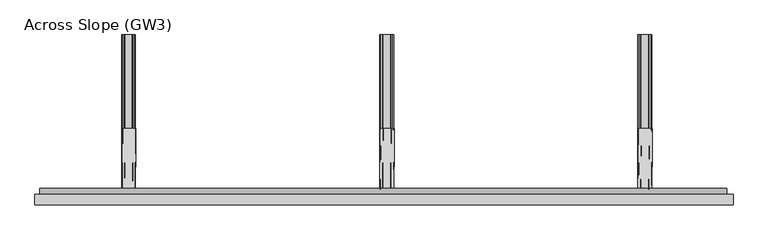
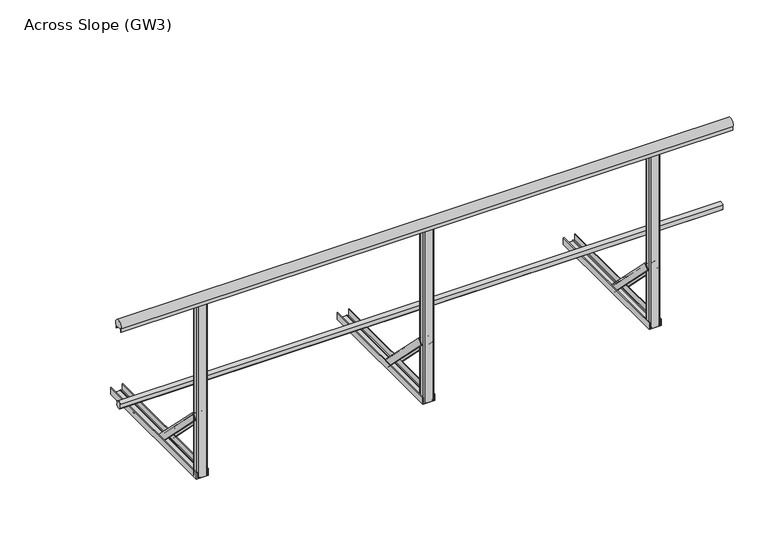
"""IFC4 building model written with IfcOpenShell, lengths in millimetres: railing geometry, Across Slope (GW3)."""

from ifc_helpers import new_model, si_unit, point, frame, frame_2d, origin, origin_with_axes, place, context, project, spatial, polyline, circle_curve, trimmed, segment, composite_curve, outline, extrude, source, transform, mapped, element, save
from ifc_brep_helpers import plane_surface, extruded_surface, advanced_brep


def across_slope_gw3_2aa02428(model_context):
    return source(origin(), model_context, "Body", "SolidModel", [
        extrude(outline(composite_curve([segment(trimmed(circle_curve(frame_2d((-746.287505, 528.0)), 20.0), [point((-727.7, 520.617273))], [point((-762.0, 515.6259343))], False, "CARTESIAN"), True, "CONTINUOUS"), segment(polyline([(-762.0, 515.6259343), (-762.0, 540.3740657)]), True, "CONTINUOUS"), segment(trimmed(circle_curve(frame_2d((-746.287505, 528.0)), 20.0), [point((-762.0, 540.3740657))], [point((-727.7, 535.382727))], False, "CARTESIAN"), True, "CONTINUOUS"), segment(polyline([(-727.7, 535.382727), (-731.7, 535.382727), (-731.7, 520.617273), (-727.7, 520.617273)]), True, "CONTINUOUS")], self_intersect=False)), frame((-393.0, 0.0, 0.0), z_axis=(1.0, 0.0, 0.0), x_axis=(0.0, 1.0, 0.0)), (0.0, 0.0, 1.0), 3253.0),
        extrude(outline(composite_curve([segment(trimmed(circle_curve(frame_2d((-781.0, 1015.0)), 25.0), [point((-802.0, 1001.43534))], [point((-760.0, 1001.43534))], False, "CARTESIAN"), True, "CONTINUOUS"), segment(polyline([(-760.0, 1001.43534), (-760.0, 983.0), (-761.0, 983.0), (-761.0, 998.0), (-801.0, 998.0), (-801.0, 983.0), (-802.0, 983.0), (-802.0, 1001.43534)]), True, "CONTINUOUS")], self_intersect=False)), frame((-415.0, 0.0, 0.0), z_axis=(1.0, 0.0, 0.0), x_axis=(0.0, 1.0, 0.0)), (0.0, 0.0, 1.0), 3305.0),
        extrude(outline(composite_curve([segment(trimmed(circle_curve(frame_2d((1227.0, -795.0)), 5.0), [point((1227.0, -800.0))], [point((1222.0, -795.0))], False, "CARTESIAN"), True, "CONTINUOUS"), segment(polyline([(1222.0, -795.0), (1222.0, -767.0)]), True, "CONTINUOUS"), segment(trimmed(circle_curve(frame_2d((1227.0, -767.0)), 5.0), [point((1222.0, -767.0))], [point((1227.0, -762.0))], False, "CARTESIAN"), True, "CONTINUOUS"), segment(polyline([(1227.0, -762.0), (1273.0, -762.0)]), True, "CONTINUOUS"), segment(trimmed(circle_curve(frame_2d((1273.0, -767.0)), 5.0), [point((1273.0, -762.0))], [point((1278.0, -767.0))], False, "CARTESIAN"), True, "CONTINUOUS"), segment(polyline([(1278.0, -767.0), (1278.0, -795.0)]), True, "CONTINUOUS"), segment(trimmed(circle_curve(frame_2d((1273.0, -795.0)), 5.0), [point((1278.0, -795.0))], [point((1273.0, -800.0))], False, "CARTESIAN"), True, "CONTINUOUS"), segment(polyline([(1273.0, -800.0), (1227.0, -800.0)]), True, "CONTINUOUS")], self_intersect=False)), origin_with_axes(), (0.0, 0.0, 1.0), 998.0),
        advanced_brep(
        [(1285.5, -443.7912606, 38.0), (1285.5, -469.6006581, 12.1906025), (1282.5, -469.6006581, 12.1906025), (1282.5, -445.9125809, 35.8786797), (1272.5, -445.9125809, 35.8786797), (1272.5, -447.6803479, 34.1109127), (1271.5, -447.6803479, 34.1109127), (1271.5, -445.9125809, 35.8786797), (1234.5, -445.9125809, 35.8786797), (1234.5, -447.6803479, 34.1109127), (1233.5, -447.6803479, 34.1109127), (1233.5, -445.9125809, 35.8786797), (1223.5, -445.9125809, 35.8786797), (1223.5, -469.6006581, 12.1906025), (1220.5, -469.6006581, 12.1906025), (1220.5, -443.7912606, 38.0), (1282.5, -761.9893121, 356.1980516), (1217.5, -761.9893121, 356.1980516), (1217.5, -787.7987096, 330.3886541), (1220.5, -787.7987096, 330.3886541), (1220.5, -764.1106324, 354.0767312), (1230.5, -764.1106324, 354.0767312), (1230.5, -765.8783994, 352.3089643), (1231.5, -765.8783994, 352.3089643), (1231.5, -764.1106324, 354.0767312), (1268.5, -764.1106324, 354.0767312), (1268.5, -765.8783994, 352.3089643), (1269.5, -765.8783994, 352.3089643), (1269.5, -764.1106324, 354.0767312), (1279.5, -764.1106324, 354.0767312), (1279.5, -787.7987096, 330.3886541), (1282.5, -787.7987096, 330.3886541)],
        [
            (0, 1),
            (1, 2, circle_curve(frame((1284.0, -469.6006581, 12.1906025), z_axis=(0.0, 0.7071067811865529, -0.7071067811865422), x_axis=(0.0, -0.7071067811865422, -0.7071067811865529)), 1.5)),
            (2, 3),
            (3, 4),
            (4, 5),
            (5, 6, circle_curve(frame((1272.0, -447.6803479, 34.1109127), z_axis=(0.0, 0.7071067811865529, -0.7071067811865422), x_axis=(0.0, -0.7071067811865422, -0.7071067811865529)), 0.5)),
            (6, 7),
            (7, 8),
            (8, 9),
            (9, 10, circle_curve(frame((1234.0, -447.6803479, 34.1109127), z_axis=(0.0, 0.7071067811865529, -0.7071067811865422), x_axis=(0.0, -0.7071067811865422, -0.7071067811865529)), 0.5)),
            (10, 11),
            (11, 12),
            (12, 13),
            (13, 14, circle_curve(frame((1222.0, -469.6006581, 12.1906025), z_axis=(0.0, 0.7071067811865529, -0.7071067811865422), x_axis=(0.0, -0.7071067811865422, -0.7071067811865529)), 1.5)),
            (14, 15),
            (15, 0),
            (16, 17),
            (17, 18),
            (18, 19, circle_curve(frame((1219.0, -787.7987096, 330.3886541), z_axis=(0.0, -0.7071067811865529, 0.7071067811865422), x_axis=(0.0, -0.7071067811865422, -0.7071067811865529)), 1.5)),
            (19, 20),
            (20, 21),
            (21, 22),
            (22, 23, circle_curve(frame((1231.0, -765.8783994, 352.3089643), z_axis=(0.0, -0.7071067811865529, 0.7071067811865422), x_axis=(0.0, -0.7071067811865422, -0.7071067811865529)), 0.5)),
            (23, 24),
            (24, 25),
            (25, 26),
            (26, 27, circle_curve(frame((1269.0, -765.8783994, 352.3089643), z_axis=(0.0, -0.7071067811865529, 0.7071067811865422), x_axis=(0.0, -0.7071067811865422, -0.7071067811865529)), 0.5)),
            (27, 28),
            (28, 29),
            (29, 30),
            (30, 31, circle_curve(frame((1281.0, -787.7987096, 330.3886541), z_axis=(0.0, -0.7071067811865529, 0.7071067811865422), x_axis=(0.0, -0.7071067811865422, -0.7071067811865529)), 1.5)),
            (31, 16),
            (31, 1),
            (0, 16),
            (30, 2),
            (29, 3),
            (28, 4),
            (27, 5),
            (26, 6),
            (25, 7),
            (24, 8),
            (23, 9),
            (22, 10),
            (21, 11),
            (20, 12),
            (19, 13),
            (18, 14),
            (17, 15),
        ],
        [
            plane_surface(frame((1253.0, -452.0113769, 29.7798837), z_axis=(0.0, 0.7071067811865528, -0.7071067811865424), x_axis=(0.0, -0.7071067811865424, -0.7071067811865528))),
            plane_surface(frame((1250.0, -770.2094284, 347.9779352), z_axis=(0.0, -0.7071067811865528, 0.7071067811865422), x_axis=(0.0, -0.7071067811865422, -0.7071067811865528))),
            plane_surface(frame((1282.5, -774.8940109, 343.2933528), z_axis=(0.9999777785184911, -0.004713940454846682, 0.004713940454842173), x_axis=(0.0, -0.7071067811865424, -0.7071067811865528))),
            extruded_surface(trimmed(circle_curve(frame((1281.0, -787.7987096, 330.3886541), z_axis=(0.0, 0.7071067811865529, -0.7071067811865422), x_axis=(0.0, -0.7071067811865422, -0.7071067811865529)), 1.5), [point((1282.5, -787.7987096, 330.3886541))], [point((1279.5, -787.7987096, 330.3886541))], True, "CARTESIAN"), (3.0, 318.1980515000001, -318.1980516), 450.00999991159415),
            plane_surface(frame((1279.5, -775.954671, 342.2326926), z_axis=(-0.9999777785184913, 0.004713940454846682, -0.004713940454842174), x_axis=(0.0, 0.7071067811865425, 0.7071067811865528))),
            plane_surface(frame((1274.5, -764.1106324, 354.0767312), z_axis=(0.0, -0.7071067811865427, -0.7071067811865523), x_axis=(-1.0, 0.0, 0.0))),
            plane_surface(frame((1269.5, -764.9945159, 353.1928478), z_axis=(0.9999777785184911, -0.0047139404548466575, 0.0047139404548422), x_axis=(0.0, -0.7071067811865461, -0.7071067811865489))),
            extruded_surface(trimmed(circle_curve(frame((1269.0, -765.8783994, 352.3089643), z_axis=(0.0, 0.7071067811865529, -0.7071067811865422), x_axis=(0.0, -0.7071067811865422, -0.7071067811865529)), 0.5), [point((1269.5, -765.8783994, 352.3089643))], [point((1268.5, -765.8783994, 352.3089643))], True, "CARTESIAN"), (3.0, 318.1980515, -318.1980516), 450.0099999115941),
            plane_surface(frame((1268.5, -764.9945159, 353.1928478), z_axis=(-0.9999777785184911, 0.004713940454846672, -0.004713940454842214), x_axis=(0.0, 0.7071067811865461, 0.7071067811865489))),
            plane_surface(frame((1250.0, -764.1106324, 354.0767312), z_axis=(0.0, -0.7071067811865427, -0.7071067811865523), x_axis=(-1.0, 0.0, 0.0))),
            plane_surface(frame((1231.5, -764.9945159, 353.1928478), z_axis=(0.9999777785184911, -0.0047139404548466645, 0.004713940454842207), x_axis=(0.0, -0.7071067811865461, -0.7071067811865489))),
            extruded_surface(trimmed(circle_curve(frame((1231.0, -765.8783994, 352.3089643), z_axis=(0.0, 0.7071067811865529, -0.7071067811865422), x_axis=(0.0, -0.7071067811865422, -0.7071067811865529)), 0.5), [point((1231.5, -765.8783994, 352.3089643))], [point((1230.5, -765.8783994, 352.3089643))], True, "CARTESIAN"), (3.0, 318.1980515, -318.1980516), 450.0099999115941),
            plane_surface(frame((1230.5, -764.9945159, 353.1928478), z_axis=(-0.9999777785184911, 0.004713940454846691, -0.004713940454842178), x_axis=(0.0, 0.7071067811865419, 0.7071067811865531))),
            plane_surface(frame((1225.5, -764.1106324, 354.0767312), z_axis=(0.0, -0.7071067811865425, -0.7071067811865526), x_axis=(-1.0, 0.0, 0.0))),
            plane_surface(frame((1220.5, -775.954671, 342.2326926), z_axis=(0.9999777785184913, -0.00471394045484669, 0.004713940454842181), x_axis=(0.0, -0.7071067811865425, -0.7071067811865528))),
            extruded_surface(trimmed(circle_curve(frame((1219.0, -787.7987096, 330.3886541), z_axis=(0.0, 0.7071067811865529, -0.7071067811865422), x_axis=(0.0, -0.7071067811865422, -0.7071067811865529)), 1.5), [point((1220.5, -787.7987096, 330.3886541))], [point((1217.5, -787.7987096, 330.3886541))], True, "CARTESIAN"), (3.0, 318.1980515000001, -318.1980516), 450.00999991159415),
            plane_surface(frame((1217.5, -774.8940109, 343.2933528), z_axis=(-0.9999777785184911, 0.0047139404548466905, -0.004713940454842179), x_axis=(0.0, 0.7071067811865421, 0.7071067811865529))),
            plane_surface(frame((1250.0, -761.9893121, 356.1980516), z_axis=(0.0, 0.707106781186543, 0.707106781186552), x_axis=(1.0, 0.0, 0.0))),
        ],
        [
            (0, [[1, 2, 3, 4, 5, 6, 7, 8, 9, 10, 11, 12, 13, 14, 15, 16]]),
            (1, [[17, 18, 19, 20, 21, 22, 23, 24, 25, 26, 27, 28, 29, 30, 31, 32]]),
            (2, [[-32, 33, -1, 34]]),
            (3, [[-31, 35, -2, -33]]),
            (4, [[-30, 36, -3, -35]]),
            (5, [[-29, 37, -4, -36]]),
            (6, [[-28, 38, -5, -37]]),
            (7, [[-27, 39, -6, -38]]),
            (8, [[-26, 40, -7, -39]]),
            (9, [[-25, 41, -8, -40]]),
            (10, [[-24, 42, -9, -41]]),
            (11, [[-23, 43, -10, -42]]),
            (12, [[-22, 44, -11, -43]]),
            (13, [[-21, 45, -12, -44]]),
            (14, [[-20, 46, -13, -45]]),
            (15, [[-19, 47, -14, -46]]),
            (16, [[-18, 48, -15, -47]]),
            (17, [[-17, -34, -16, -48]]),
        ],
    ),
        extrude(outline(composite_curve([segment(polyline([(0.0, 1282.5), (36.5, 1282.5)]), True, "CONTINUOUS"), segment(trimmed(circle_curve(frame_2d((36.5, 1281.0)), 1.5), [point((36.5, 1282.5))], [point((36.5, 1279.5))], False, "CARTESIAN"), True, "CONTINUOUS"), segment(polyline([(36.5, 1279.5), (3.0, 1279.5), (3.0, 1269.5), (5.5, 1269.5)]), True, "CONTINUOUS"), segment(trimmed(circle_curve(frame_2d((5.5, 1269.0)), 0.5), [point((5.5, 1269.5))], [point((5.5, 1268.5))], False, "CARTESIAN"), True, "CONTINUOUS"), segment(polyline([(5.5, 1268.5), (3.0, 1268.5), (3.0, 1231.5), (5.5, 1231.5)]), True, "CONTINUOUS"), segment(trimmed(circle_curve(frame_2d((5.5, 1231.0)), 0.5), [point((5.5, 1231.5))], [point((5.5, 1230.5))], False, "CARTESIAN"), True, "CONTINUOUS"), segment(polyline([(5.5, 1230.5), (3.0, 1230.5), (3.0, 1220.5), (36.5, 1220.5)]), True, "CONTINUOUS"), segment(trimmed(circle_curve(frame_2d((36.5, 1219.0)), 1.5), [point((36.5, 1220.5))], [point((36.5, 1217.5))], False, "CARTESIAN"), True, "CONTINUOUS"), segment(polyline([(36.5, 1217.5), (0.0, 1217.5), (0.0, 1282.5)]), True, "CONTINUOUS")], self_intersect=False)), frame((0.0, -800.0, 0.0), z_axis=(0.0, 1.0, 0.0), x_axis=(0.0, 0.0, 1.0)), (0.0, 0.0, 1.0), 800.0),
        extrude(outline(composite_curve([segment(trimmed(circle_curve(frame_2d((2449.0, -795.0)), 5.0), [point((2449.0, -800.0))], [point((2444.0, -795.0))], False, "CARTESIAN"), True, "CONTINUOUS"), segment(polyline([(2444.0, -795.0), (2444.0, -767.0)]), True, "CONTINUOUS"), segment(trimmed(circle_curve(frame_2d((2449.0, -767.0)), 5.0), [point((2444.0, -767.0))], [point((2449.0, -762.0))], False, "CARTESIAN"), True, "CONTINUOUS"), segment(polyline([(2449.0, -762.0), (2495.0, -762.0)]), True, "CONTINUOUS"), segment(trimmed(circle_curve(frame_2d((2495.0, -767.0)), 5.0), [point((2495.0, -762.0))], [point((2500.0, -767.0))], False, "CARTESIAN"), True, "CONTINUOUS"), segment(polyline([(2500.0, -767.0), (2500.0, -795.0)]), True, "CONTINUOUS"), segment(trimmed(circle_curve(frame_2d((2495.0, -795.0)), 5.0), [point((2500.0, -795.0))], [point((2495.0, -800.0))], False, "CARTESIAN"), True, "CONTINUOUS"), segment(polyline([(2495.0, -800.0), (2449.0, -800.0)]), True, "CONTINUOUS")], self_intersect=False)), origin_with_axes(), (0.0, 0.0, 1.0), 998.0),
        advanced_brep(
        [(2507.5, -443.7912606, 38.0), (2507.5, -469.6006581, 12.1906025), (2504.5, -469.6006581, 12.1906025), (2504.5, -445.9125809, 35.8786797), (2494.5, -445.9125809, 35.8786797), (2494.5, -447.6803479, 34.1109127), (2493.5, -447.6803479, 34.1109127), (2493.5, -445.9125809, 35.8786797), (2456.5, -445.9125809, 35.8786797), (2456.5, -447.6803479, 34.1109127), (2455.5, -447.6803479, 34.1109127), (2455.5, -445.9125809, 35.8786797), (2445.5, -445.9125809, 35.8786797), (2445.5, -469.6006581, 12.1906025), (2442.5, -469.6006581, 12.1906025), (2442.5, -443.7912606, 38.0), (2504.5, -761.9893121, 356.1980516), (2439.5, -761.9893121, 356.1980516), (2439.5, -787.7987096, 330.3886541), (2442.5, -787.7987096, 330.3886541), (2442.5, -764.1106324, 354.0767312), (2452.5, -764.1106324, 354.0767312), (2452.5, -765.8783994, 352.3089643), (2453.5, -765.8783994, 352.3089643), (2453.5, -764.1106324, 354.0767312), (2490.5, -764.1106324, 354.0767312), (2490.5, -765.8783994, 352.3089643), (2491.5, -765.8783994, 352.3089643), (2491.5, -764.1106324, 354.0767312), (2501.5, -764.1106324, 354.0767312), (2501.5, -787.7987096, 330.3886541), (2504.5, -787.7987096, 330.3886541)],
        [
            (0, 1),
            (1, 2, circle_curve(frame((2506.0, -469.6006581, 12.1906025), z_axis=(0.0, 0.7071067811865529, -0.7071067811865422), x_axis=(0.0, -0.7071067811865422, -0.7071067811865529)), 1.5)),
            (2, 3),
            (3, 4),
            (4, 5),
            (5, 6, circle_curve(frame((2494.0, -447.6803479, 34.1109127), z_axis=(0.0, 0.7071067811865529, -0.7071067811865422), x_axis=(0.0, -0.7071067811865422, -0.7071067811865529)), 0.5)),
            (6, 7),
            (7, 8),
            (8, 9),
            (9, 10, circle_curve(frame((2456.0, -447.6803479, 34.1109127), z_axis=(0.0, 0.7071067811865529, -0.7071067811865422), x_axis=(0.0, -0.7071067811865422, -0.7071067811865529)), 0.5)),
            (10, 11),
            (11, 12),
            (12, 13),
            (13, 14, circle_curve(frame((2444.0, -469.6006581, 12.1906025), z_axis=(0.0, 0.7071067811865529, -0.7071067811865422), x_axis=(0.0, -0.7071067811865422, -0.7071067811865529)), 1.5)),
            (14, 15),
            (15, 0),
            (16, 17),
            (17, 18),
            (18, 19, circle_curve(frame((2441.0, -787.7987096, 330.3886541), z_axis=(0.0, -0.7071067811865529, 0.7071067811865422), x_axis=(0.0, -0.7071067811865422, -0.7071067811865529)), 1.5)),
            (19, 20),
            (20, 21),
            (21, 22),
            (22, 23, circle_curve(frame((2453.0, -765.8783994, 352.3089643), z_axis=(0.0, -0.7071067811865529, 0.7071067811865422), x_axis=(0.0, -0.7071067811865422, -0.7071067811865529)), 0.5)),
            (23, 24),
            (24, 25),
            (25, 26),
            (26, 27, circle_curve(frame((2491.0, -765.8783994, 352.3089643), z_axis=(0.0, -0.7071067811865529, 0.7071067811865422), x_axis=(0.0, -0.7071067811865422, -0.7071067811865529)), 0.5)),
            (27, 28),
            (28, 29),
            (29, 30),
            (30, 31, circle_curve(frame((2503.0, -787.7987096, 330.3886541), z_axis=(0.0, -0.7071067811865529, 0.7071067811865422), x_axis=(0.0, -0.7071067811865422, -0.7071067811865529)), 1.5)),
            (31, 16),
            (31, 1),
            (0, 16),
            (30, 2),
            (29, 3),
            (28, 4),
            (27, 5),
            (26, 6),
            (25, 7),
            (24, 8),
            (23, 9),
            (22, 10),
            (21, 11),
            (20, 12),
            (19, 13),
            (18, 14),
            (17, 15),
        ],
        [
            plane_surface(frame((2475.0, -452.0113769, 29.7798837), z_axis=(0.0, 0.7071067811865528, -0.7071067811865424), x_axis=(0.0, -0.7071067811865424, -0.7071067811865528))),
            plane_surface(frame((2472.0, -770.2094284, 347.9779352), z_axis=(0.0, -0.7071067811865528, 0.7071067811865422), x_axis=(0.0, -0.7071067811865422, -0.7071067811865528))),
            plane_surface(frame((2504.5, -774.8940109, 343.2933528), z_axis=(0.9999777785184912, -0.004713940454838001, 0.004713940454842175), x_axis=(0.0, -0.7071067811865424, -0.7071067811865528))),
            extruded_surface(trimmed(circle_curve(frame((2503.0, -787.7987096, 330.3886541), z_axis=(0.0, 0.7071067811865529, -0.7071067811865422), x_axis=(0.0, -0.7071067811865422, -0.7071067811865529)), 1.5), [point((2504.5, -787.7987096, 330.3886541))], [point((2501.5, -787.7987096, 330.3886541))], True, "CARTESIAN"), (3.0, 318.1980515000001, -318.1980516), 450.00999991159415),
            plane_surface(frame((2501.5, -775.954671, 342.2326927), z_axis=(-0.9999777785184913, 0.0047139404548379995, -0.004713940454842174), x_axis=(0.0, 0.7071067811865425, 0.7071067811865528))),
            plane_surface(frame((2496.5, -764.1106324, 354.0767312), z_axis=(0.0, -0.7071067811865427, -0.7071067811865523), x_axis=(-1.0, 0.0, 0.0))),
            plane_surface(frame((2491.5, -764.9945159, 353.1928478), z_axis=(0.9999777785184911, -0.004713940454837976, 0.0047139404548422), x_axis=(0.0, -0.7071067811865461, -0.7071067811865489))),
            extruded_surface(trimmed(circle_curve(frame((2491.0, -765.8783994, 352.3089643), z_axis=(0.0, 0.7071067811865529, -0.7071067811865422), x_axis=(0.0, -0.7071067811865422, -0.7071067811865529)), 0.5), [point((2491.5, -765.8783994, 352.3089643))], [point((2490.5, -765.8783994, 352.3089643))], True, "CARTESIAN"), (3.0, 318.1980515, -318.1980516), 450.0099999115941),
            plane_surface(frame((2490.5, -764.9945159, 353.1928478), z_axis=(-0.9999777785184911, 0.00471394045483799, -0.004713940454842214), x_axis=(0.0, 0.7071067811865461, 0.7071067811865489))),
            plane_surface(frame((2472.0, -764.1106324, 354.0767312), z_axis=(0.0, -0.7071067811865427, -0.7071067811865523), x_axis=(-1.0, 0.0, 0.0))),
            plane_surface(frame((2453.5, -764.9945159, 353.1928478), z_axis=(0.9999777785184911, -0.004713940454837982, 0.004713940454842207), x_axis=(0.0, -0.7071067811865461, -0.7071067811865489))),
            extruded_surface(trimmed(circle_curve(frame((2453.0, -765.8783994, 352.3089643), z_axis=(0.0, 0.7071067811865529, -0.7071067811865422), x_axis=(0.0, -0.7071067811865422, -0.7071067811865529)), 0.5), [point((2453.5, -765.8783994, 352.3089643))], [point((2452.5, -765.8783994, 352.3089643))], True, "CARTESIAN"), (3.0, 318.1980515, -318.1980516), 450.0099999115941),
            plane_surface(frame((2452.5, -764.9945159, 353.1928478), z_axis=(-0.9999777785184911, 0.004713940454838009, -0.004713940454842178), x_axis=(0.0, 0.7071067811865419, 0.7071067811865531))),
            plane_surface(frame((2447.5, -764.1106324, 354.0767312), z_axis=(0.0, -0.7071067811865425, -0.7071067811865526), x_axis=(-1.0, 0.0, 0.0))),
            plane_surface(frame((2442.5, -775.954671, 342.2326927), z_axis=(0.9999777785184913, -0.004713940454838007, 0.004713940454842181), x_axis=(0.0, -0.7071067811865425, -0.7071067811865528))),
            extruded_surface(trimmed(circle_curve(frame((2441.0, -787.7987096, 330.3886541), z_axis=(0.0, 0.7071067811865529, -0.7071067811865422), x_axis=(0.0, -0.7071067811865422, -0.7071067811865529)), 1.5), [point((2442.5, -787.7987096, 330.3886541))], [point((2439.5, -787.7987096, 330.3886541))], True, "CARTESIAN"), (3.0, 318.1980515000001, -318.1980516), 450.00999991159415),
            plane_surface(frame((2439.5, -774.8940109, 343.2933528), z_axis=(-0.9999777785184911, 0.004713940454838008, -0.00471394045484218), x_axis=(0.0, 0.7071067811865421, 0.7071067811865529))),
            plane_surface(frame((2472.0, -761.9893121, 356.1980516), z_axis=(0.0, 0.707106781186543, 0.707106781186552), x_axis=(1.0, 0.0, 0.0))),
        ],
        [
            (0, [[1, 2, 3, 4, 5, 6, 7, 8, 9, 10, 11, 12, 13, 14, 15, 16]]),
            (1, [[17, 18, 19, 20, 21, 22, 23, 24, 25, 26, 27, 28, 29, 30, 31, 32]]),
            (2, [[-32, 33, -1, 34]]),
            (3, [[-31, 35, -2, -33]]),
            (4, [[-30, 36, -3, -35]]),
            (5, [[-29, 37, -4, -36]]),
            (6, [[-28, 38, -5, -37]]),
            (7, [[-27, 39, -6, -38]]),
            (8, [[-26, 40, -7, -39]]),
            (9, [[-25, 41, -8, -40]]),
            (10, [[-24, 42, -9, -41]]),
            (11, [[-23, 43, -10, -42]]),
            (12, [[-22, 44, -11, -43]]),
            (13, [[-21, 45, -12, -44]]),
            (14, [[-20, 46, -13, -45]]),
            (15, [[-19, 47, -14, -46]]),
            (16, [[-18, 48, -15, -47]]),
            (17, [[-17, -34, -16, -48]]),
        ],
    ),
        extrude(outline(composite_curve([segment(polyline([(0.0, 2504.5), (36.5, 2504.5)]), True, "CONTINUOUS"), segment(trimmed(circle_curve(frame_2d((36.5, 2503.0)), 1.5), [point((36.5, 2504.5))], [point((36.5, 2501.5))], False, "CARTESIAN"), True, "CONTINUOUS"), segment(polyline([(36.5, 2501.5), (3.0, 2501.5), (3.0, 2491.5), (5.5, 2491.5)]), True, "CONTINUOUS"), segment(trimmed(circle_curve(frame_2d((5.5, 2491.0)), 0.5), [point((5.5, 2491.5))], [point((5.5, 2490.5))], False, "CARTESIAN"), True, "CONTINUOUS"), segment(polyline([(5.5, 2490.5), (3.0, 2490.5), (3.0, 2453.5), (5.5, 2453.5)]), True, "CONTINUOUS"), segment(trimmed(circle_curve(frame_2d((5.5, 2453.0)), 0.5), [point((5.5, 2453.5))], [point((5.5, 2452.5))], False, "CARTESIAN"), True, "CONTINUOUS"), segment(polyline([(5.5, 2452.5), (3.0, 2452.5), (3.0, 2442.5), (36.5, 2442.5)]), True, "CONTINUOUS"), segment(trimmed(circle_curve(frame_2d((36.5, 2441.0)), 1.5), [point((36.5, 2442.5))], [point((36.5, 2439.5))], False, "CARTESIAN"), True, "CONTINUOUS"), segment(polyline([(36.5, 2439.5), (0.0, 2439.5), (0.0, 2504.5)]), True, "CONTINUOUS")], self_intersect=False)), frame((0.0, -800.0, 0.0), z_axis=(0.0, 1.0, 0.0), x_axis=(0.0, 0.0, 1.0)), (0.0, 0.0, 1.0), 800.0),
        extrude(outline(composite_curve([segment(trimmed(circle_curve(frame_2d((5.0, -795.0)), 5.0), [point((5.0, -800.0))], [point((0.0, -795.0))], False, "CARTESIAN"), True, "CONTINUOUS"), segment(polyline([(0.0, -795.0), (0.0, -767.0)]), True, "CONTINUOUS"), segment(trimmed(circle_curve(frame_2d((5.0, -767.0)), 5.0), [point((0.0, -767.0))], [point((5.0, -762.0))], False, "CARTESIAN"), True, "CONTINUOUS"), segment(polyline([(5.0, -762.0), (51.0, -762.0)]), True, "CONTINUOUS"), segment(trimmed(circle_curve(frame_2d((51.0, -767.0)), 5.0), [point((51.0, -762.0))], [point((56.0, -767.0))], False, "CARTESIAN"), True, "CONTINUOUS"), segment(polyline([(56.0, -767.0), (56.0, -795.0)]), True, "CONTINUOUS"), segment(trimmed(circle_curve(frame_2d((51.0, -795.0)), 5.0), [point((56.0, -795.0))], [point((51.0, -800.0))], False, "CARTESIAN"), True, "CONTINUOUS"), segment(polyline([(51.0, -800.0), (5.0, -800.0)]), True, "CONTINUOUS")], self_intersect=False)), origin_with_axes(), (0.0, 0.0, 1.0), 998.0),
        advanced_brep(
        [(63.5, -443.7912606, 38.0), (63.5, -469.6006581, 12.1906025), (60.5, -469.6006581, 12.1906025), (60.5, -445.9125809, 35.8786797), (50.5, -445.9125809, 35.8786797), (50.5, -447.6803479, 34.1109127), (49.5, -447.6803479, 34.1109127), (49.5, -445.9125809, 35.8786797), (12.5, -445.9125809, 35.8786797), (12.5, -447.6803479, 34.1109127), (11.5, -447.6803479, 34.1109127), (11.5, -445.9125809, 35.8786797), (1.5, -445.9125809, 35.8786797), (1.5, -469.6006581, 12.1906025), (-1.5, -469.6006581, 12.1906025), (-1.5, -443.7912606, 38.0), (60.5, -761.9893121, 356.1980515), (-4.5, -761.9893121, 356.1980515), (-4.5, -787.7987096, 330.388654), (-1.5, -787.7987096, 330.388654), (-1.5, -764.1106324, 354.0767312), (8.5, -764.1106324, 354.0767312), (8.5, -765.8783994, 352.3089642), (9.5, -765.8783994, 352.3089642), (9.5, -764.1106324, 354.0767312), (46.5, -764.1106324, 354.0767312), (46.5, -765.8783994, 352.3089642), (47.5, -765.8783994, 352.3089642), (47.5, -764.1106324, 354.0767312), (57.5, -764.1106324, 354.0767312), (57.5, -787.7987096, 330.388654), (60.5, -787.7987096, 330.388654)],
        [
            (0, 1),
            (1, 2, circle_curve(frame((62.0, -469.6006581, 12.1906025), z_axis=(0.0, 0.7071067811865529, -0.7071067811865422), x_axis=(0.0, -0.7071067811865422, -0.7071067811865529)), 1.5)),
            (2, 3),
            (3, 4),
            (4, 5),
            (5, 6, circle_curve(frame((50.0, -447.6803479, 34.1109127), z_axis=(0.0, 0.7071067811865529, -0.7071067811865422), x_axis=(0.0, -0.7071067811865422, -0.7071067811865529)), 0.5)),
            (6, 7),
            (7, 8),
            (8, 9),
            (9, 10, circle_curve(frame((12.0, -447.6803479, 34.1109127), z_axis=(0.0, 0.7071067811865529, -0.7071067811865422), x_axis=(0.0, -0.7071067811865422, -0.7071067811865529)), 0.5)),
            (10, 11),
            (11, 12),
            (12, 13),
            (13, 14, circle_curve(frame((0.0, -469.6006581, 12.1906025), z_axis=(0.0, 0.7071067811865529, -0.7071067811865422), x_axis=(0.0, -0.7071067811865422, -0.7071067811865529)), 1.5)),
            (14, 15),
            (15, 0),
            (16, 17),
            (17, 18),
            (18, 19, circle_curve(frame((-3.0, -787.7987096, 330.388654), z_axis=(0.0, -0.7071067811865529, 0.7071067811865422), x_axis=(0.0, -0.7071067811865422, -0.7071067811865529)), 1.5)),
            (19, 20),
            (20, 21),
            (21, 22),
            (22, 23, circle_curve(frame((9.0, -765.8783994, 352.3089642), z_axis=(0.0, -0.7071067811865529, 0.7071067811865422), x_axis=(0.0, -0.7071067811865422, -0.7071067811865529)), 0.5)),
            (23, 24),
            (24, 25),
            (25, 26),
            (26, 27, circle_curve(frame((47.0, -765.8783994, 352.3089642), z_axis=(0.0, -0.7071067811865529, 0.7071067811865422), x_axis=(0.0, -0.7071067811865422, -0.7071067811865529)), 0.5)),
            (27, 28),
            (28, 29),
            (29, 30),
            (30, 31, circle_curve(frame((59.0, -787.7987096, 330.388654), z_axis=(0.0, -0.7071067811865529, 0.7071067811865422), x_axis=(0.0, -0.7071067811865422, -0.7071067811865529)), 1.5)),
            (31, 16),
            (31, 1),
            (0, 16),
            (30, 2),
            (29, 3),
            (28, 4),
            (27, 5),
            (26, 6),
            (25, 7),
            (24, 8),
            (23, 9),
            (22, 10),
            (21, 11),
            (20, 12),
            (19, 13),
            (18, 14),
            (17, 15),
        ],
        [
            plane_surface(frame((31.0, -452.0113769, 29.7798837), z_axis=(0.0, 0.7071067811865528, -0.7071067811865424), x_axis=(0.0, -0.7071067811865424, -0.7071067811865528))),
            plane_surface(frame((28.0, -770.2094284, 347.9779352), z_axis=(0.0, -0.7071067811865528, 0.7071067811865422), x_axis=(0.0, -0.7071067811865422, -0.7071067811865528))),
            plane_surface(frame((60.5, -774.8940109, 343.2933528), z_axis=(0.9999777785184911, -0.004713940454845338, 0.004713940454842174), x_axis=(0.0, -0.7071067811865424, -0.7071067811865528))),
            extruded_surface(trimmed(circle_curve(frame((59.0, -787.7987096, 330.388654), z_axis=(0.0, 0.7071067811865529, -0.7071067811865422), x_axis=(0.0, -0.7071067811865422, -0.7071067811865529)), 1.5), [point((60.5, -787.7987096, 330.388654))], [point((57.5, -787.7987096, 330.388654))], True, "CARTESIAN"), (3.0, 318.1980515000001, -318.19805149999996), 450.00999984088503),
            plane_surface(frame((57.5, -775.954671, 342.2326926), z_axis=(-0.9999777785184913, 0.004713940454845338, -0.004713940454842175), x_axis=(0.0, 0.7071067811865425, 0.7071067811865528))),
            plane_surface(frame((52.5, -764.1106324, 354.0767312), z_axis=(0.0, -0.7071067811865427, -0.7071067811865523), x_axis=(-1.0, 0.0, 0.0))),
            plane_surface(frame((47.5, -764.9945159, 353.1928477), z_axis=(0.9999777785184911, -0.004713940454845314, 0.004713940454842201), x_axis=(0.0, -0.7071067811865461, -0.7071067811865489))),
            extruded_surface(trimmed(circle_curve(frame((47.0, -765.8783994, 352.3089642), z_axis=(0.0, 0.7071067811865529, -0.7071067811865422), x_axis=(0.0, -0.7071067811865422, -0.7071067811865529)), 0.5), [point((47.5, -765.8783994, 352.3089642))], [point((46.5, -765.8783994, 352.3089642))], True, "CARTESIAN"), (3.0, 318.1980515, -318.1980515), 450.00999984088503),
            plane_surface(frame((46.5, -764.9945159, 353.1928477), z_axis=(-0.9999777785184911, 0.004713940454845328, -0.004713940454842215), x_axis=(0.0, 0.7071067811865461, 0.7071067811865489))),
            plane_surface(frame((28.0, -764.1106324, 354.0767312), z_axis=(0.0, -0.7071067811865427, -0.7071067811865523), x_axis=(-1.0, 0.0, 0.0))),
            plane_surface(frame((9.5, -764.9945159, 353.1928477), z_axis=(0.9999777785184911, -0.004713940454845321, 0.004713940454842208), x_axis=(0.0, -0.7071067811865461, -0.7071067811865489))),
            extruded_surface(trimmed(circle_curve(frame((9.0, -765.8783994, 352.3089642), z_axis=(0.0, 0.7071067811865529, -0.7071067811865422), x_axis=(0.0, -0.7071067811865422, -0.7071067811865529)), 0.5), [point((9.5, -765.8783994, 352.3089642))], [point((8.5, -765.8783994, 352.3089642))], True, "CARTESIAN"), (3.0, 318.1980515, -318.1980515), 450.00999984088503),
            plane_surface(frame((8.5, -764.9945159, 353.1928477), z_axis=(-0.9999777785184911, 0.004713940454845348, -0.0047139404548421785), x_axis=(0.0, 0.7071067811865419, 0.7071067811865531))),
            plane_surface(frame((3.5, -764.1106324, 354.0767312), z_axis=(0.0, -0.7071067811865425, -0.7071067811865526), x_axis=(-1.0, 0.0, 0.0))),
            plane_surface(frame((-1.5, -775.954671, 342.2326926), z_axis=(0.9999777785184913, -0.004713940454845345, 0.004713940454842182), x_axis=(0.0, -0.7071067811865425, -0.7071067811865528))),
            extruded_surface(trimmed(circle_curve(frame((-3.0, -787.7987096, 330.388654), z_axis=(0.0, 0.7071067811865529, -0.7071067811865422), x_axis=(0.0, -0.7071067811865422, -0.7071067811865529)), 1.5), [point((-1.5, -787.7987096, 330.388654))], [point((-4.5, -787.7987096, 330.388654))], True, "CARTESIAN"), (3.0, 318.1980515000001, -318.19805149999996), 450.00999984088503),
            plane_surface(frame((-4.5, -774.8940109, 343.2933528), z_axis=(-0.9999777785184911, 0.004713940454845347, -0.00471394045484218), x_axis=(0.0, 0.7071067811865421, 0.7071067811865529))),
            plane_surface(frame((28.0, -761.9893121, 356.1980515), z_axis=(0.0, 0.707106781186543, 0.707106781186552), x_axis=(1.0, 0.0, 0.0))),
        ],
        [
            (0, [[1, 2, 3, 4, 5, 6, 7, 8, 9, 10, 11, 12, 13, 14, 15, 16]]),
            (1, [[17, 18, 19, 20, 21, 22, 23, 24, 25, 26, 27, 28, 29, 30, 31, 32]]),
            (2, [[-32, 33, -1, 34]]),
            (3, [[-31, 35, -2, -33]]),
            (4, [[-30, 36, -3, -35]]),
            (5, [[-29, 37, -4, -36]]),
            (6, [[-28, 38, -5, -37]]),
            (7, [[-27, 39, -6, -38]]),
            (8, [[-26, 40, -7, -39]]),
            (9, [[-25, 41, -8, -40]]),
            (10, [[-24, 42, -9, -41]]),
            (11, [[-23, 43, -10, -42]]),
            (12, [[-22, 44, -11, -43]]),
            (13, [[-21, 45, -12, -44]]),
            (14, [[-20, 46, -13, -45]]),
            (15, [[-19, 47, -14, -46]]),
            (16, [[-18, 48, -15, -47]]),
            (17, [[-17, -34, -16, -48]]),
        ],
    ),
        extrude(outline(composite_curve([segment(polyline([(0.0, 60.5), (36.5, 60.5)]), True, "CONTINUOUS"), segment(trimmed(circle_curve(frame_2d((36.5, 59.0)), 1.5), [point((36.5, 60.5))], [point((36.5, 57.5))], False, "CARTESIAN"), True, "CONTINUOUS"), segment(polyline([(36.5, 57.5), (3.0, 57.5), (3.0, 47.5), (5.5, 47.5)]), True, "CONTINUOUS"), segment(trimmed(circle_curve(frame_2d((5.5, 47.0)), 0.5), [point((5.5, 47.5))], [point((5.5, 46.5))], False, "CARTESIAN"), True, "CONTINUOUS"), segment(polyline([(5.5, 46.5), (3.0, 46.5), (3.0, 9.5), (5.5, 9.5)]), True, "CONTINUOUS"), segment(trimmed(circle_curve(frame_2d((5.5, 9.0)), 0.5), [point((5.5, 9.5))], [point((5.5, 8.5))], False, "CARTESIAN"), True, "CONTINUOUS"), segment(polyline([(5.5, 8.5), (3.0, 8.5), (3.0, -1.5), (36.5, -1.5)]), True, "CONTINUOUS"), segment(trimmed(circle_curve(frame_2d((36.5, -3.0)), 1.5), [point((36.5, -1.5))], [point((36.5, -4.5))], False, "CARTESIAN"), True, "CONTINUOUS"), segment(polyline([(36.5, -4.5), (0.0, -4.5), (0.0, 60.5)]), True, "CONTINUOUS")], self_intersect=False)), frame((0.0, -800.0, 0.0), z_axis=(0.0, 1.0, 0.0), x_axis=(0.0, 0.0, 1.0)), (0.0, 0.0, 1.0), 800.0),
    ])


if __name__ == "__main__":
    model = new_model("IFC4")
    model_context = context("Model", 3, world=origin())
    ifc_project = project(units=[si_unit("LENGTHUNIT", "METRE", prefix="MILLI")], contexts=[model_context])
    site = spatial("IfcSite", under=ifc_project)
    building = spatial("IfcBuilding", under=site)
    placement = place(None, origin())
    across_slope_gw3_shape = across_slope_gw3_2aa02428(model_context)
    element("IfcRailing", 1, ObjectType="Across Slope (GW3)", at=placement, inside=building, context=model_context, shape_type="MappedRepresentation", body=[
        mapped(across_slope_gw3_shape, transform((0.0, 0.0, 0.0), x_axis=(1.0, 0.0, 0.0), y_axis=(0.0, 1.0, 0.0), z_axis=(0.0, 0.0, 1.0))),
    ])
    save(model, "model.ifc")
